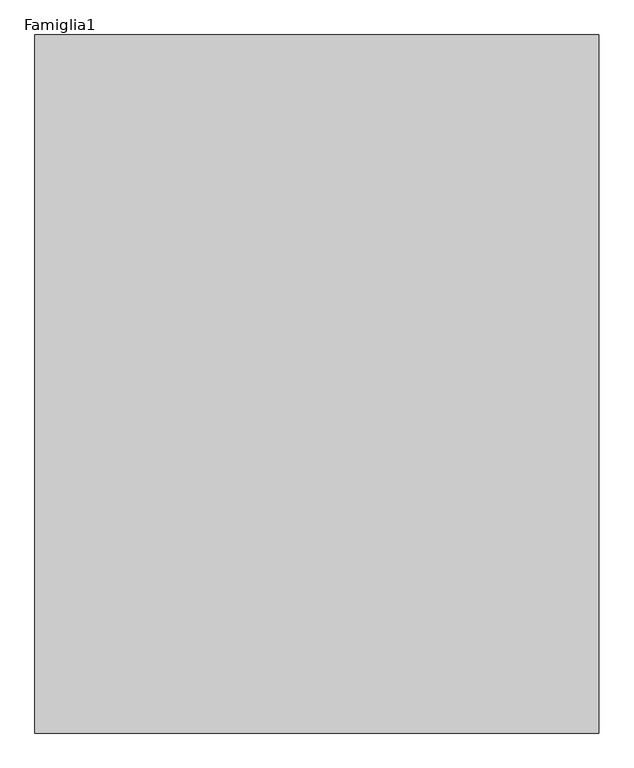
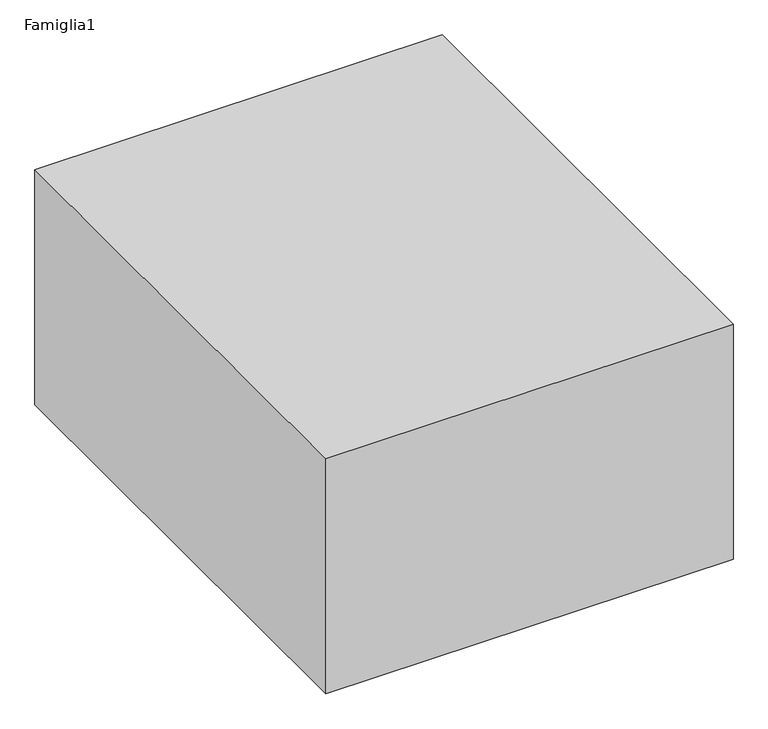
"""IFC4 building model written with IfcOpenShell, lengths in millimetres: proxy geometry, Famiglia1."""

from ifc_helpers import new_model, si_unit, origin, origin_with_axes, place, context, project, spatial, polyline, outline, extrude, source, transform, mapped, element, save


def famiglia1_8faa3c04(model_context):
    return source(origin(), model_context, "Body", "SweptSolid", [
        extrude(outline(polyline([(19657.9445404, 24345.9037044), (19657.9445404, 0.0), (0.0, 0.0), (0.0, 24345.9037044), (19657.9445404, 24345.9037044)])), origin_with_axes(), (0.0, 0.0, 1.0), 12000.0),
    ])


if __name__ == "__main__":
    model = new_model("IFC4")
    model_context = context("Model", 3, world=origin())
    ifc_project = project(units=[si_unit("LENGTHUNIT", "METRE", prefix="MILLI")], contexts=[model_context])
    site = spatial("IfcSite", under=ifc_project)
    building = spatial("IfcBuilding", under=site)
    placement = place(None, origin())
    famiglia1_shape = famiglia1_8faa3c04(model_context)
    element("IfcBuildingElementProxy", 1, Name="Famiglia1", ObjectType="Famiglia1", at=placement, inside=building, context=model_context, shape_type="MappedRepresentation", body=[
        mapped(famiglia1_shape, transform((0.0, 0.0, 0.0), x_axis=(1.0, 0.0, 0.0), y_axis=(0.0, 1.0, 0.0), z_axis=(0.0, 0.0, 1.0))),
    ])
    save(model, "model.ifc")
